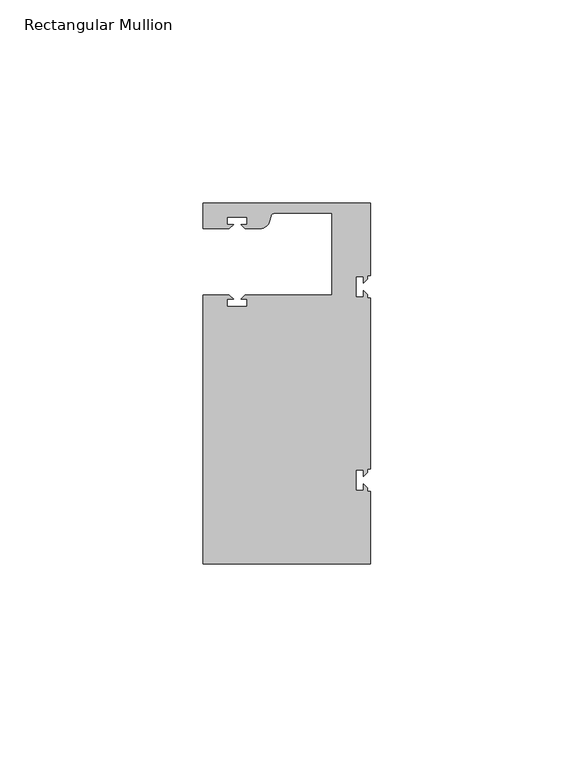
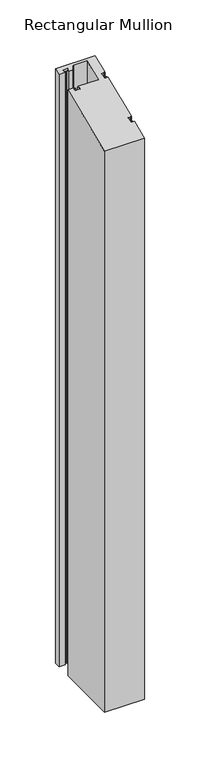
"""IFC4 building model written with IfcOpenShell, lengths in millimetres: member geometry, Rectangular Mullion."""

from ifc_helpers import new_model, si_unit, frame, origin, place, context, project, spatial, polyline, circle_curve, ellipse_curve, source, transform, mapped, element, save
from ifc_brep_helpers import plane_surface, cylinder_surface, revolved_surface, advanced_brep


def rectangular_mullion_601e88da(model_context):
    return source(origin(), model_context, "Body", "AdvancedBrep", [
        advanced_brep(
        [(0.0, 44.45, -635.0), (0.0, 26.5319902, -635.0), (-0.79375, 26.5319902, -635.0), (-0.79375, 25.7382402, -635.0), (-1.7937657, 24.7382245, -635.0), (-1.7937657, 26.3124974, -635.0), (-3.5938131, 26.3124974, -635.0), (-3.5938131, 21.3125026, -635.0), (-1.7937657, 21.3125026, -635.0), (-1.7937657, 22.88674, -635.0), (-0.79375, 21.8867243, -635.0), (-0.79375, 21.0930098, -635.0), (0.0, 21.0930098, -635.0), (0.0, -21.0930098, -635.0), (-0.79375, -21.0930098, -635.0), (-0.79375, -21.8867598, -635.0), (-1.7937657, -22.8867755, -635.0), (-1.7937657, -21.3125026, -635.0), (-3.5938131, -21.3125026, -635.0), (-3.5938131, -26.3124974, -635.0), (-1.7937657, -26.3124974, -635.0), (-1.7937657, -24.73826, -635.0), (-0.79375, -25.7382757, -635.0), (-0.79375, -26.5319902, -635.0), (0.0, -26.5319902, -635.0), (0.0, -44.45, -635.0), (-41.275, -44.45, -635.0), (-41.275, 21.749999, -635.0), (-34.8007562, 21.749999, -635.0), (-33.8007405, 20.7499834, -635.0), (-35.3750134, 20.7499834, -635.0), (-35.3750134, 18.949936, -635.0), (-30.3750186, 18.949936, -635.0), (-30.3750186, 20.7499834, -635.0), (-31.949256, 20.7499834, -635.0), (-30.9492434, 21.7499959, -635.0), (-9.525, 21.7499959, -635.0), (-9.525, 41.95, -635.0), (-23.5599329, 41.95, -635.0), (-24.5258588, 41.2088192, -635.0), (-24.8489707, 40.002949, -635.0), (-27.2637853, 38.1499966, -635.0), (-30.9492503, 38.1499966, -635.0), (-31.949256, 39.1500023, -635.0), (-30.3749831, 39.1500023, -635.0), (-30.3749831, 40.9498819, -635.0), (-35.3749778, 40.9498819, -635.0), (-35.3749778, 39.1500023, -635.0), (-33.8007405, 39.1500023, -635.0), (-34.8007531, 38.1499897, -635.0), (-41.2749977, 38.1499897, -635.0), (-41.2749977, 44.45, -635.0), (-41.2749977, 44.45, 18.4117928), (0.0, 44.45, 18.4117928), (-41.2749977, 38.1499897, 15.8022431), (-34.8007531, 38.1499897, 15.8022431), (-33.8007405, 39.1500023, 16.2164619), (-35.3749778, 39.1500023, 16.2164619), (-35.3749778, 40.9498819, 16.9619965), (-30.3749831, 40.9498819, 16.9619965), (-30.3749831, 39.1500023, 16.2164619), (-31.949256, 39.1500023, 16.2164619), (-30.9492503, 38.1499966, 15.802246), (-27.2637853, 38.1499966, 15.802246), (-24.8489707, 40.002949, 16.569764), (-24.5258588, 41.2088192, 17.0692518), (-23.5599329, 41.9500001, 17.376259), (-9.525, 41.95, 17.3762589), (-9.525, 21.7499959, 9.0091433), (-30.9492434, 21.7499959, 9.0091433), (-31.949256, 20.7499834, 8.5949245), (-30.3750186, 20.7499834, 8.5949245), (-30.3750186, 18.949936, 7.8493205), (-35.3750134, 18.949936, 7.8493205), (-35.3750134, 20.7499834, 8.5949245), (-33.8007405, 20.7499834, 8.5949245), (-34.8007562, 21.749999, 9.0091446), (-41.275, 21.749999, 9.0091446), (-41.275, -44.45, -18.4117928), (0.0, -44.45, -18.4117928), (0.0, -26.5319902, -10.9899102), (-0.79375, -26.5319902, -10.9899102), (-0.79375, -25.7382757, -10.6611429), (-1.7937657, -24.73826, -10.2469228), (-1.7937657, -26.3124974, -10.8989933), (-3.5938131, -26.3124974, -10.8989933), (-3.5938131, -21.3125026, -8.8279276), (-1.7937657, -21.3125026, -8.8279276), (-1.7937657, -22.8867755, -9.4800128), (-0.79375, -21.8867598, -9.0657928), (-0.79375, -21.0930098, -8.7370107), (0.0, -21.0930098, -8.7370107), (0.0, 21.0930098, 8.7370107), (-0.79375, 21.0930098, 8.7370107), (-0.79375, 21.8867243, 9.065778), (-1.7937657, 22.88674, 9.4799981), (-1.7937657, 21.3125026, 8.8279276), (-3.5938131, 21.3125026, 8.8279276), (-3.5938131, 26.3124974, 10.8989933), (-1.7937657, 26.3124974, 10.8989933), (-1.7937657, 24.7382245, 10.2469081), (-0.79375, 25.7382402, 10.6611282), (-0.79375, 26.5319902, 10.9899102), (0.0, 26.5319902, 10.9899102)],
        [
            (0, 1),
            (1, 2),
            (2, 3),
            (3, 4),
            (4, 5),
            (5, 6),
            (6, 7),
            (7, 8),
            (8, 9),
            (9, 10),
            (10, 11),
            (11, 12),
            (12, 13),
            (13, 14),
            (14, 15),
            (15, 16),
            (16, 17),
            (17, 18),
            (18, 19),
            (19, 20),
            (20, 21),
            (21, 22),
            (22, 23),
            (23, 24),
            (24, 25),
            (25, 26),
            (26, 27),
            (27, 28),
            (28, 29),
            (29, 30),
            (30, 31),
            (31, 32),
            (32, 33),
            (33, 34),
            (34, 35),
            (35, 36),
            (36, 37),
            (37, 38),
            (38, 39, circle_curve(frame((-23.5599329, 40.9500001, -635.0), z_axis=(0.0, 0.0, 1.0), x_axis=(0.0, -1.0, 0.0)), 1.0)),
            (39, 40),
            (40, 41, circle_curve(frame((-27.2637853, 40.6499966, -635.0), z_axis=(0.0, 0.0, -1.0), x_axis=(0.0, -1.0, 0.0)), 2.5)),
            (41, 42),
            (42, 43),
            (43, 44),
            (44, 45),
            (45, 46),
            (46, 47),
            (47, 48),
            (48, 49),
            (49, 50),
            (50, 51),
            (51, 0),
            (52, 53),
            (53, 0),
            (51, 52),
            (54, 52),
            (50, 54),
            (55, 54),
            (49, 55),
            (56, 55),
            (48, 56),
            (57, 56),
            (47, 57),
            (58, 57),
            (46, 58),
            (59, 58),
            (45, 59),
            (60, 59),
            (44, 60),
            (61, 60),
            (43, 61),
            (62, 61),
            (42, 62),
            (63, 62),
            (41, 63),
            (64, 63, ellipse_curve(frame((-27.2637853, 40.6499966, 16.8377799), z_axis=(0.0, 0.3826834323650909, -0.9238795325112864), x_axis=(0.0, 0.9238795325112864, 0.3826834323650904)), 2.7059805, 2.5)),
            (40, 64),
            (65, 64),
            (39, 65),
            (66, 65, ellipse_curve(frame((-23.5599329, 40.9500001, 16.9620454), z_axis=(0.0, -0.3826834323650909, 0.9238795325112864), x_axis=(0.0, -0.9238795325112864, -0.3826834323650904)), 1.0823922, 1.0)),
            (38, 66),
            (67, 66),
            (37, 67),
            (68, 67),
            (36, 68),
            (69, 68),
            (35, 69),
            (70, 69),
            (34, 70),
            (71, 70),
            (33, 71),
            (72, 71),
            (32, 72),
            (73, 72),
            (31, 73),
            (74, 73),
            (30, 74),
            (75, 74),
            (29, 75),
            (76, 75),
            (28, 76),
            (77, 76),
            (27, 77),
            (78, 77),
            (26, 78),
            (79, 78),
            (25, 79),
            (80, 79),
            (24, 80),
            (81, 80),
            (23, 81),
            (82, 81),
            (22, 82),
            (83, 82),
            (21, 83),
            (84, 83),
            (20, 84),
            (85, 84),
            (19, 85),
            (86, 85),
            (18, 86),
            (87, 86),
            (17, 87),
            (88, 87),
            (16, 88),
            (89, 88),
            (15, 89),
            (90, 89),
            (14, 90),
            (91, 90),
            (13, 91),
            (92, 91),
            (12, 92),
            (93, 92),
            (11, 93),
            (94, 93),
            (10, 94),
            (95, 94),
            (9, 95),
            (96, 95),
            (8, 96),
            (97, 96),
            (7, 97),
            (98, 97),
            (6, 98),
            (99, 98),
            (5, 99),
            (100, 99),
            (4, 100),
            (101, 100),
            (3, 101),
            (102, 101),
            (2, 102),
            (103, 102),
            (1, 103),
            (53, 103),
        ],
        [
            plane_surface(frame((0.0, -60.6582898, -635.0), z_axis=(0.0, 0.0, -1.0), x_axis=(-1.0, 0.0, 0.0))),
            plane_surface(frame((0.0, 44.45, 0.0), z_axis=(0.0, 1.0, 0.0), x_axis=(0.0, 0.0, -1.0))),
            plane_surface(frame((-41.2749977, 44.45, 0.0), z_axis=(-1.0, 0.0, 0.0), x_axis=(0.0, 0.0, -1.0))),
            plane_surface(frame((-41.2749977, 38.1499897, 0.0), z_axis=(0.0, -1.0, 0.0), x_axis=(0.0, 0.0, -1.0))),
            plane_surface(frame((-34.8007531, 38.1499897, 0.0), z_axis=(0.7071067811865492, -0.7071067811865459, 0.0), x_axis=(0.0, 0.0, -1.0))),
            plane_surface(frame((-33.8007405, 39.1500023, 0.0), z_axis=(0.0, 1.0, 0.0), x_axis=(0.0, 0.0, -1.0))),
            plane_surface(frame((-35.3749778, 39.1500023, 0.0), z_axis=(1.0, 0.0, 0.0), x_axis=(0.0, 0.0, -1.0))),
            plane_surface(frame((-35.3749778, 40.9498819, 0.0), z_axis=(0.0, -1.0, 0.0), x_axis=(0.0, 0.0, -1.0))),
            plane_surface(frame((-30.3749831, 40.9498819, 0.0), z_axis=(-1.0, 0.0, 0.0), x_axis=(0.0, 0.0, -1.0))),
            plane_surface(frame((-30.3749831, 39.1500023, 0.0), z_axis=(0.0, 1.0, 0.0), x_axis=(0.0, 0.0, -1.0))),
            plane_surface(frame((-31.949256, 39.1500023, 0.0), z_axis=(-0.7071067811865469, -0.7071067811865481, 0.0), x_axis=(0.0, 0.0, -1.0))),
            plane_surface(frame((-30.9492503, 38.1499966, 0.0), z_axis=(0.0, -1.0, 0.0), x_axis=(0.0, 0.0, -1.0))),
            cylinder_surface(frame((-27.2637853, 40.6499966, 0.0), z_axis=(0.0, 0.0, 1.0), x_axis=(0.0, -1.0, 0.0)), 2.5),
            plane_surface(frame((-24.8489707, 40.002949, 0.0), z_axis=(0.965925826289163, -0.2588190451021675, 0.0), x_axis=(0.0, 0.0, -1.0))),
            revolved_surface(polyline([(-23.5599329, 39.9500001, -635.0), (-23.5599329, 39.9500001, 17.376259)]), (-23.5599329, 40.9500001, 0.0), (0.0, 0.0, -1.0)),
            plane_surface(frame((-23.5599329, 41.95, 0.0), z_axis=(0.0, -1.0, 0.0), x_axis=(0.0, 0.0, -1.0))),
            plane_surface(frame((-9.525, 41.95, 0.0), z_axis=(-1.0, 0.0, 0.0), x_axis=(0.0, 0.0, -1.0))),
            plane_surface(frame((-9.525, 21.7499959, 0.0), z_axis=(0.0, 1.0, 0.0), x_axis=(0.0, 0.0, -1.0))),
            plane_surface(frame((-30.9492434, 21.7499959, 0.0), z_axis=(-0.7071067811865492, 0.7071067811865459, 0.0), x_axis=(0.0, 0.0, -1.0))),
            plane_surface(frame((-31.949256, 20.7499834, 0.0), z_axis=(0.0, -1.0, 0.0), x_axis=(0.0, 0.0, -1.0))),
            plane_surface(frame((-30.3750186, 20.7499834, 0.0), z_axis=(-1.0, 0.0, 0.0), x_axis=(0.0, 0.0, -1.0))),
            plane_surface(frame((-30.3750186, 18.949936, 0.0), z_axis=(0.0, 1.0, 0.0), x_axis=(0.0, 0.0, -1.0))),
            plane_surface(frame((-35.3750134, 18.949936, 0.0), z_axis=(1.0, 0.0, 0.0), x_axis=(0.0, 0.0, -1.0))),
            plane_surface(frame((-35.3750134, 20.7499834, 0.0), z_axis=(0.0, -1.0, 0.0), x_axis=(0.0, 0.0, -1.0))),
            plane_surface(frame((-33.8007405, 20.7499834, 0.0), z_axis=(0.7071067811865472, 0.7071067811865479, 0.0), x_axis=(0.0, 0.0, -1.0))),
            plane_surface(frame((-34.8007562, 21.749999, 0.0), z_axis=(0.0, 1.0, 0.0), x_axis=(0.0, 0.0, -1.0))),
            plane_surface(frame((-41.275, 21.749999, 0.0), z_axis=(-1.0, 0.0, 0.0), x_axis=(0.0, 0.0, -1.0))),
            plane_surface(frame((-41.275, -44.45, 0.0), z_axis=(0.0, -1.0, 0.0), x_axis=(0.0, 0.0, -1.0))),
            plane_surface(frame((0.0, -44.45, 0.0), z_axis=(1.0, 0.0, 0.0), x_axis=(0.0, 0.0, -1.0))),
            plane_surface(frame((0.0, -26.5319902, 0.0), z_axis=(0.0, 1.0, 0.0), x_axis=(0.0, 0.0, -1.0))),
            plane_surface(frame((-0.79375, -26.5319902, 0.0), z_axis=(1.0, 0.0, 0.0), x_axis=(0.0, 0.0, -1.0))),
            plane_surface(frame((-0.79375, -25.7382757, 0.0), z_axis=(0.7071067811865416, 0.7071067811865536, 0.0), x_axis=(0.0, 0.0, -1.0))),
            plane_surface(frame((-1.7937657, -24.73826, 0.0), z_axis=(-1.0, 0.0, 0.0), x_axis=(0.0, 0.0, -1.0))),
            plane_surface(frame((-1.7937657, -26.3124974, 0.0), z_axis=(0.0, 1.0, 0.0), x_axis=(0.0, 0.0, -1.0))),
            plane_surface(frame((-3.5938131, -26.3124974, 0.0), z_axis=(1.0, 0.0, 0.0), x_axis=(0.0, 0.0, -1.0))),
            plane_surface(frame((-3.5938131, -21.3125026, 0.0), z_axis=(0.0, -1.0, 0.0), x_axis=(0.0, 0.0, -1.0))),
            plane_surface(frame((-1.7937657, -21.3125026, 0.0), z_axis=(-1.0, 0.0, 0.0), x_axis=(0.0, 0.0, -1.0))),
            plane_surface(frame((-1.7937657, -22.8867755, 0.0), z_axis=(0.7071067811865522, -0.7071067811865429, 0.0), x_axis=(0.0, 0.0, -1.0))),
            plane_surface(frame((-0.79375, -21.8867598, 0.0), z_axis=(1.0, 0.0, 0.0), x_axis=(0.0, 0.0, -1.0))),
            plane_surface(frame((-0.79375, -21.0930098, 0.0), z_axis=(0.0, -1.0, 0.0), x_axis=(0.0, 0.0, -1.0))),
            plane_surface(frame((0.0, -21.0930098, 0.0), z_axis=(1.0, 0.0, 0.0), x_axis=(0.0, 0.0, -1.0))),
            plane_surface(frame((0.0, 21.0930098, 0.0), z_axis=(0.0, 1.0, 0.0), x_axis=(0.0, 0.0, -1.0))),
            plane_surface(frame((-0.79375, 21.0930098, 0.0), z_axis=(1.0, 0.0, 0.0), x_axis=(0.0, 0.0, -1.0))),
            plane_surface(frame((-0.79375, 21.8867243, 0.0), z_axis=(0.7071067811865416, 0.7071067811865536, 0.0), x_axis=(0.0, 0.0, -1.0))),
            plane_surface(frame((-1.7937657, 22.88674, 0.0), z_axis=(-1.0, 0.0, 0.0), x_axis=(0.0, 0.0, -1.0))),
            plane_surface(frame((-1.7937657, 21.3125026, 0.0), z_axis=(0.0, 1.0, 0.0), x_axis=(0.0, 0.0, -1.0))),
            plane_surface(frame((-3.5938131, 21.3125026, 0.0), z_axis=(1.0, 0.0, 0.0), x_axis=(0.0, 0.0, -1.0))),
            plane_surface(frame((-3.5938131, 26.3124974, 0.0), z_axis=(0.0, -1.0, 0.0), x_axis=(0.0, 0.0, -1.0))),
            plane_surface(frame((-1.7937657, 26.3124974, 0.0), z_axis=(-1.0, 0.0, 0.0), x_axis=(0.0, 0.0, -1.0))),
            plane_surface(frame((-1.7937657, 24.7382245, 0.0), z_axis=(0.7071067811865522, -0.7071067811865429, 0.0), x_axis=(0.0, 0.0, -1.0))),
            plane_surface(frame((-0.79375, 25.7382402, 0.0), z_axis=(1.0, 0.0, 0.0), x_axis=(0.0, 0.0, -1.0))),
            plane_surface(frame((-0.79375, 26.5319902, 0.0), z_axis=(0.0, -1.0, 0.0), x_axis=(0.0, 0.0, -1.0))),
            plane_surface(frame((0.0, 26.5319902, 0.0), z_axis=(1.0, 0.0, 0.0), x_axis=(0.0, 0.0, -1.0))),
            plane_surface(frame((304.8, 0.0, 0.0), z_axis=(0.0, -0.3826834323650909, 0.9238795325112864), x_axis=(0.0, -0.9238795325112864, -0.3826834323650909))),
        ],
        [
            (0, [[1, 2, 3, 4, 5, 6, 7, 8, 9, 10, 11, 12, 13, 14, 15, 16, 17, 18, 19, 20, 21, 22, 23, 24, 25, 26, 27, 28, 29, 30, 31, 32, 33, 34, 35, 36, 37, 38, 39, 40, 41, 42, 43, 44, 45, 46, 47, 48, 49, 50, 51, 52]]),
            (1, [[53, 54, -52, 55]]),
            (2, [[56, -55, -51, 57]]),
            (3, [[58, -57, -50, 59]]),
            (4, [[60, -59, -49, 61]]),
            (5, [[62, -61, -48, 63]]),
            (6, [[64, -63, -47, 65]]),
            (7, [[66, -65, -46, 67]]),
            (8, [[68, -67, -45, 69]]),
            (9, [[70, -69, -44, 71]]),
            (10, [[72, -71, -43, 73]]),
            (11, [[74, -73, -42, 75]]),
            (12, [[76, -75, -41, 77]]),
            (13, [[78, -77, -40, 79]]),
            (14, [[80, -79, -39, 81]]),
            (15, [[82, -81, -38, 83]]),
            (16, [[84, -83, -37, 85]]),
            (17, [[86, -85, -36, 87]]),
            (18, [[88, -87, -35, 89]]),
            (19, [[90, -89, -34, 91]]),
            (20, [[92, -91, -33, 93]]),
            (21, [[94, -93, -32, 95]]),
            (22, [[96, -95, -31, 97]]),
            (23, [[98, -97, -30, 99]]),
            (24, [[100, -99, -29, 101]]),
            (25, [[102, -101, -28, 103]]),
            (26, [[104, -103, -27, 105]]),
            (27, [[106, -105, -26, 107]]),
            (28, [[108, -107, -25, 109]]),
            (29, [[110, -109, -24, 111]]),
            (30, [[112, -111, -23, 113]]),
            (31, [[114, -113, -22, 115]]),
            (32, [[116, -115, -21, 117]]),
            (33, [[118, -117, -20, 119]]),
            (34, [[120, -119, -19, 121]]),
            (35, [[122, -121, -18, 123]]),
            (36, [[124, -123, -17, 125]]),
            (37, [[126, -125, -16, 127]]),
            (38, [[128, -127, -15, 129]]),
            (39, [[130, -129, -14, 131]]),
            (40, [[132, -131, -13, 133]]),
            (41, [[134, -133, -12, 135]]),
            (42, [[136, -135, -11, 137]]),
            (43, [[138, -137, -10, 139]]),
            (44, [[140, -139, -9, 141]]),
            (45, [[142, -141, -8, 143]]),
            (46, [[144, -143, -7, 145]]),
            (47, [[146, -145, -6, 147]]),
            (48, [[148, -147, -5, 149]]),
            (49, [[150, -149, -4, 151]]),
            (50, [[152, -151, -3, 153]]),
            (51, [[154, -153, -2, 155]]),
            (52, [[156, -155, -1, -54]]),
            (53, [[-53, -56, -58, -60, -62, -64, -66, -68, -70, -72, -74, -76, -78, -80, -82, -84, -86, -88, -90, -92, -94, -96, -98, -100, -102, -104, -106, -108, -110, -112, -114, -116, -118, -120, -122, -124, -126, -128, -130, -132, -134, -136, -138, -140, -142, -144, -146, -148, -150, -152, -154, -156]]),
        ],
    ),
    ])


if __name__ == "__main__":
    model = new_model("IFC4")
    model_context = context("Model", 3, world=origin())
    ifc_project = project(units=[si_unit("LENGTHUNIT", "METRE", prefix="MILLI")], contexts=[model_context])
    site = spatial("IfcSite", under=ifc_project)
    building = spatial("IfcBuilding", under=site)
    placement = place(None, origin())
    rectangular_mullion_shape = rectangular_mullion_601e88da(model_context)
    element("IfcMember", 1, ObjectType="Rectangular Mullion", at=placement, inside=building, context=model_context, shape_type="MappedRepresentation", body=[
        mapped(rectangular_mullion_shape, transform((0.0, 0.0, 0.0), x_axis=(1.0, 0.0, 0.0), y_axis=(0.0, 1.0, 0.0), z_axis=(0.0, 0.0, 1.0))),
    ])
    save(model, "model.ifc")
